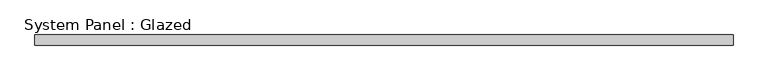
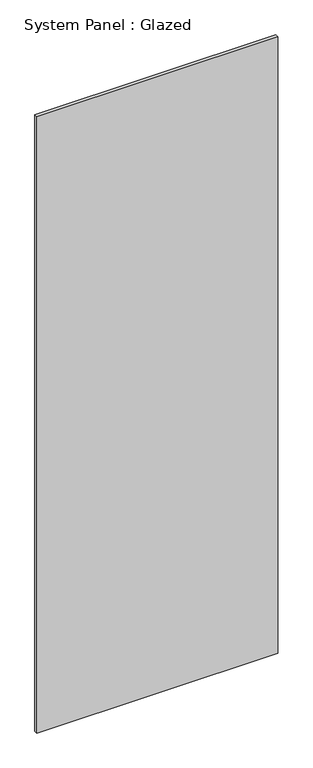
"""IFC4 building model written with IfcOpenShell, lengths in millimetres: plate geometry, System Panel : Glazed."""

import ifcopenshell
import ifcopenshell.guid

model = None  # the IFC model being written
_history = None  # IfcOwnerHistory: only IFC2X3 demands one
_inside = {}  # id of a spatial element -> (the spatial element, [elements in it])
_under = {}  # id of a project, library or spatial element -> (it, [spatial elements below it])
_declared = {}  # id of a project -> (the project, [libraries it declares])
_typed = {}  # id of a type object -> (the type object, [elements of that type])
_made_of = {}  # id of a material, layer set ... -> (it, [elements and type objects made of it])


def new_model(schema):
    """Start an empty IFC model of exactly this schema.

    Asked for "IFC4X3", IfcOpenShell would pick the latest addendum, in which some entities
    have other attributes; the version numbers below select the first issue.
    IFC2X3 requires an IfcOwnerHistory on every rooted entity: one is made here for all.
    """
    global model, _history
    if schema == "IFC4X3":
        model = ifcopenshell.file(schema_version=(4, 3, 0, 0))
    else:
        model = ifcopenshell.file(schema=schema)
    _inside.clear()
    _under.clear()
    _declared.clear()
    _typed.clear()
    _made_of.clear()
    _history = None
    if model.schema == "IFC2X3":
        org = make("IfcOrganization", Name="unknown")
        user = make(
            "IfcPersonAndOrganization",
            ThePerson=make("IfcPerson", FamilyName="unknown"),
            TheOrganization=org,
        )
        app = make(
            "IfcApplication",
            ApplicationDeveloper=org,
            Version="unknown",
            ApplicationFullName="unknown",
            ApplicationIdentifier="unknown",
        )
        _history = make(
            "IfcOwnerHistory",
            OwningUser=user,
            OwningApplication=app,
            ChangeAction="ADDED",
            CreationDate=0,
        )
    return model


def make(cls, **values):
    """One entity of the class cls with the attributes given. An attribute that is None is left unset."""
    return model.create_entity(
        cls, **{name: value for name, value in values.items() if value is not None}
    )


def rooted(cls, **values):
    """An entity with a GlobalId (a new one), such as an element, a storey or a relation."""
    return make(cls, GlobalId=ifcopenshell.guid.new(), OwnerHistory=_history, **values)


def si_unit(unit_type, name, prefix=None):
    """IfcSIUnit, for example si_unit("LENGTHUNIT", "METRE", prefix="MILLI")."""
    return make("IfcSIUnit", UnitType=unit_type, Prefix=prefix, Name=name)


def assignment(units):
    """IfcUnitAssignment: the units of a project."""
    return None if units is None else make("IfcUnitAssignment", Units=units)


def point(xyz):
    """IfcCartesianPoint."""
    return None if xyz is None else make("IfcCartesianPoint", Coordinates=xyz)


def direction(xyz):
    """IfcDirection."""
    return None if xyz is None else make("IfcDirection", DirectionRatios=xyz)


def frame(location, z_axis=None, x_axis=None):
    """IfcAxis2Placement3D, a coordinate frame: its origin and axes. An axis left out is left unset."""
    return make(
        "IfcAxis2Placement3D",
        Location=point(location),
        Axis=direction(z_axis),
        RefDirection=direction(x_axis),
    )


def origin():
    """The frame at (0, 0, 0) with its axes left unset."""
    return frame((0.0, 0.0, 0.0))


def origin_with_axes():
    """The frame at (0, 0, 0) with the z axis (0, 0, 1) and the x axis (1, 0, 0) written out."""
    return frame((0.0, 0.0, 0.0), z_axis=(0.0, 0.0, 1.0), x_axis=(1.0, 0.0, 0.0))


def place(relative_to, where):
    """IfcLocalPlacement: puts the frame where relative to a parent placement (None: the world)."""
    return make(
        "IfcLocalPlacement", PlacementRelTo=relative_to, RelativePlacement=where
    )


def context(
    kind, dimensions, precision=None, world=None, true_north=None, identifier=None
):
    """IfcGeometricRepresentationContext, for example the 3D "Model" context."""
    return make(
        "IfcGeometricRepresentationContext",
        ContextIdentifier=identifier,
        ContextType=kind,
        CoordinateSpaceDimension=dimensions,
        Precision=precision,
        WorldCoordinateSystem=world,
        TrueNorth=true_north,
    )


def project(units=None, contexts=None):
    """IfcProject with its units and contexts."""
    return rooted(
        "IfcProject",
        Name="project",
        RepresentationContexts=contexts,
        UnitsInContext=assignment(units),
    )


def spatial(cls, under=None, at=None, **own):
    """A site, building, storey or space (cls), placed at a placement, below another one or the project."""
    s = rooted(cls, ObjectPlacement=at, **own)
    if under is not None:
        _under.setdefault(under.id(), (under, []))[1].append(s)
    return s


def polyline(points):
    """IfcPolyline through the points."""
    return make("IfcPolyline", Points=[point(p) for p in points])


def outline(outer, holes=None, kind="AREA"):
    """IfcArbitraryClosedProfileDef: a profile drawn as a closed curve; with holes, ...WithVoids."""
    if holes is None:
        return make("IfcArbitraryClosedProfileDef", ProfileType=kind, OuterCurve=outer)
    return make(
        "IfcArbitraryProfileDefWithVoids",
        ProfileType=kind,
        OuterCurve=outer,
        InnerCurves=holes,
    )


def extrude(swept, where, along, depth):
    """IfcExtrudedAreaSolid: the profile swept, set in the frame where, extruded along a direction by depth."""
    return make(
        "IfcExtrudedAreaSolid",
        SweptArea=swept,
        Position=where,
        ExtrudedDirection=direction(along),
        Depth=depth,
    )


def shape(context_of_items, identifier, shape_type, items):
    """IfcShapeRepresentation: the items that make up one representation, for example the "Body"."""
    return make(
        "IfcShapeRepresentation",
        ContextOfItems=context_of_items,
        RepresentationIdentifier=identifier,
        RepresentationType=shape_type,
        Items=items,
    )


def source(mapping_origin, context_of_items, identifier, shape_type, items):
    """IfcRepresentationMap: a shape defined once, which mapped items show again and again."""
    return make(
        "IfcRepresentationMap",
        MappingOrigin=mapping_origin,
        MappedRepresentation=shape(context_of_items, identifier, shape_type, items),
    )


def transform(
    local_origin,
    x_axis=None,
    y_axis=None,
    z_axis=None,
    scale=None,
    scale2=None,
    scale3=None,
    uniform=True,
):
    """IfcCartesianTransformationOperator3D, or its non-uniform kind. x_axis, y_axis, z_axis: its Axis1, 2, 3."""
    if uniform:
        return make(
            "IfcCartesianTransformationOperator3D",
            Axis1=direction(x_axis),
            Axis2=direction(y_axis),
            LocalOrigin=point(local_origin),
            Scale=scale,
            Axis3=direction(z_axis),
        )
    return make(
        "IfcCartesianTransformationOperator3DnonUniform",
        Axis1=direction(x_axis),
        Axis2=direction(y_axis),
        LocalOrigin=point(local_origin),
        Scale=scale,
        Axis3=direction(z_axis),
        Scale2=scale2,
        Scale3=scale3,
    )


def mapped(mapping_source, mapping_target):
    """IfcMappedItem: shows the shape of a source again, moved by a transform."""
    return make(
        "IfcMappedItem", MappingSource=mapping_source, MappingTarget=mapping_target
    )


def made_of(thing, what):
    """Note that an element or type object is made of a material, layer set ...; save() writes the relation."""
    if what is not None:
        _made_of.setdefault(what.id(), (what, []))[1].append(thing)
    return thing


def element(
    cls,
    number,
    at=None,
    inside=None,
    cuts=None,
    type_object=None,
    material=None,
    context=None,
    identifier="Body",
    shape_type=None,
    held_by="IfcProductDefinitionShape",
    body=None,
    shapes=None,
    **own,
):
    """One element of the class cls, such as IfcWall. Its Tag is "e" and its number.

    at: its placement. inside: the storey or other place that contains it. cuts: it is an
    opening in that element (IfcRelVoidsElement). A single representation is given by context,
    identifier, shape_type and body (its items); several are given by shapes. held_by: the class
    of the entity that holds the representations. save() writes the other relations.
    """
    e = rooted(cls, Tag="e%d" % number, ObjectPlacement=at, **own)
    if body is not None:
        shapes = [shape(context, identifier, shape_type, body)]
    if shapes is not None:
        e.Representation = make(held_by, Representations=shapes)
    if inside is not None:
        _inside.setdefault(inside.id(), (inside, []))[1].append(e)
    if cuts is not None:
        rooted(
            "IfcRelVoidsElement", RelatingBuildingElement=cuts, RelatedOpeningElement=e
        )
    if type_object is not None:
        _typed.setdefault(type_object.id(), (type_object, []))[1].append(e)
    return made_of(e, material)


def aggregate(whole, parts):
    """IfcRelAggregates: a whole, such as a stair, and the parts it consists of."""
    return rooted("IfcRelAggregates", RelatingObject=whole, RelatedObjects=parts)


def save(model, path):
    """Write the relations noted so far, then the file.

    IfcRelAggregates (storeys below a building ...), IfcRelContainedInSpatialStructure (elements
    in a storey), IfcRelDefinesByType, IfcRelAssociatesMaterial and IfcRelDeclares: one each for
    every whole, place, type object, material and project.
    """
    for whole, parts in _under.values():
        aggregate(whole, parts)
    for where, things in _inside.values():
        rooted(
            "IfcRelContainedInSpatialStructure",
            RelatedElements=things,
            RelatingStructure=where,
        )
    for kind, things in _typed.values():
        rooted("IfcRelDefinesByType", RelatedObjects=things, RelatingType=kind)
    for what, things in _made_of.values():
        rooted("IfcRelAssociatesMaterial", RelatedObjects=things, RelatingMaterial=what)
    for by, libraries in _declared.values():
        rooted("IfcRelDeclares", RelatingContext=by, RelatedDefinitions=libraries)
    model.write(path)


def system_panel_glazed_9daa5076(model_context):
    return source(origin(), model_context, "Body", "SweptSolid", [
        extrude(outline(polyline([(831.1220206, -49.5), (-831.1220206, -49.5), (-831.1220206, -24.5), (831.1220206, -24.5), (831.1220206, -49.5)])), origin_with_axes(), (0.0, 0.0, 1.0), 4500.0),
    ])


if __name__ == "__main__":
    model = new_model("IFC4")
    model_context = context("Model", 3, world=origin())
    ifc_project = project(units=[si_unit("LENGTHUNIT", "METRE", prefix="MILLI")], contexts=[model_context])
    site = spatial("IfcSite", under=ifc_project)
    building = spatial("IfcBuilding", under=site)
    placement = place(None, origin())
    system_panel_glazed_shape = system_panel_glazed_9daa5076(model_context)
    element("IfcPlate", 1, ObjectType="System Panel : Glazed", at=placement, inside=building, context=model_context, shape_type="MappedRepresentation", body=[
        mapped(system_panel_glazed_shape, transform((0.0, 0.0, 0.0), x_axis=(1.0, 0.0, 0.0), y_axis=(0.0, 1.0, 0.0), z_axis=(0.0, 0.0, 1.0))),
    ])
    save(model, "model.ifc")
